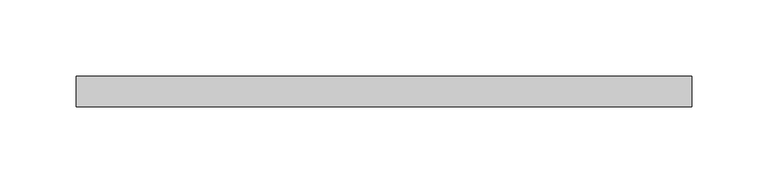
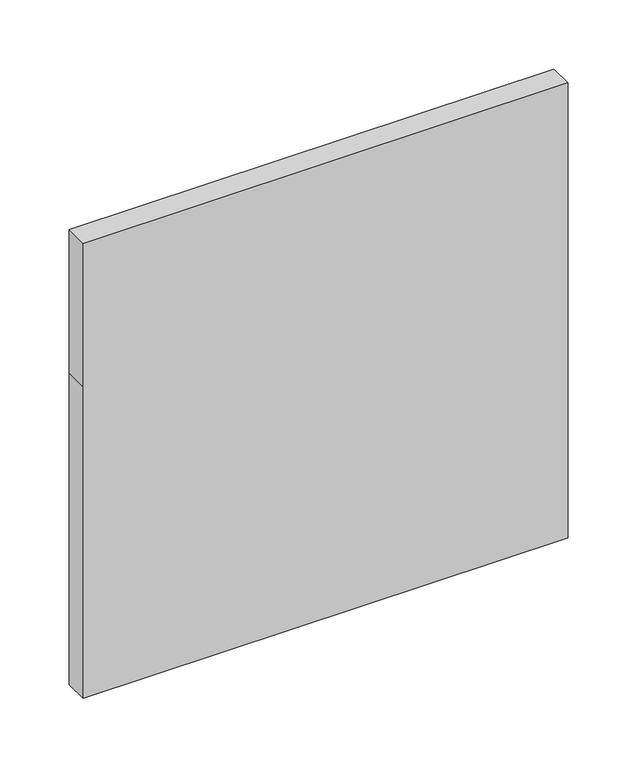
"""IFC4 building model written with IfcOpenShell, lengths in millimetres: plate geometry."""

from ifc_helpers import new_model, si_unit, frame, origin, place, context, project, spatial, polyline, outline, extrude, source, transform, mapped, element, save


def plate_7ca2f6d1(model_context):
    return source(origin(), model_context, "Body", "SweptSolid", [
        extrude(outline(polyline([(0.0, -202.3913043), (0.0, 202.3913043), (401.6624409, 202.3913043), (401.6624409, -202.3913043), (274.9746456, -202.3913043), (0.0, -202.3913043)])), frame((0.0, 70.0, 0.0), z_axis=(0.0, 1.0, 0.0), x_axis=(0.0, 0.0, 1.0)), (0.0, 0.0, 1.0), 20.0),
    ])


if __name__ == "__main__":
    model = new_model("IFC4")
    model_context = context("Model", 3, world=origin())
    ifc_project = project(units=[si_unit("LENGTHUNIT", "METRE", prefix="MILLI")], contexts=[model_context])
    site = spatial("IfcSite", under=ifc_project)
    building = spatial("IfcBuilding", under=site)
    placement = place(None, origin())
    plate_shape = plate_7ca2f6d1(model_context)
    element("IfcPlate", 1, at=placement, inside=building, context=model_context, shape_type="MappedRepresentation", body=[
        mapped(plate_shape, transform((0.0, 0.0, 0.0), x_axis=(1.0, 0.0, 0.0), y_axis=(0.0, 1.0, 0.0), z_axis=(0.0, 0.0, 1.0))),
    ])
    save(model, "model.ifc")
